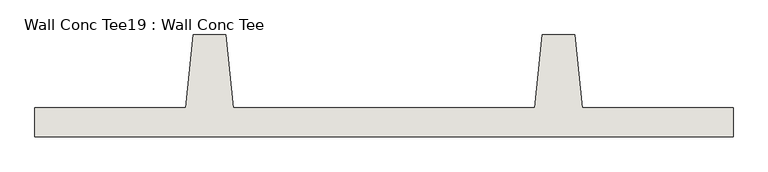
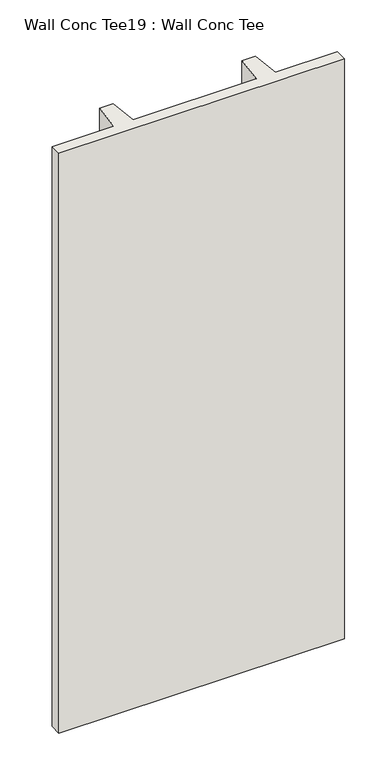
"""IFC4 building model written with IfcOpenShell, lengths in millimetres: wall geometry, Wall Conc Tee19 : Wall Conc Tee."""

from ifc_helpers import new_model, si_unit, frame, origin, place, context, project, spatial, polyline, outline, extrude, source, transform, mapped, element, save


def wall_conc_tee19_wall_conc_tee_1fa6cb74(model_context):
    return source(origin(), model_context, "Body", "SweptSolid", [
        extrude(outline(polyline([(217488.2728488, 180886.8596581), (215049.8728488, 180886.8596581), (215049.8728488, 180988.4596581), (215576.9228488, 180988.4596581), (215602.3228488, 181242.4596581), (215716.6228488, 181242.4596581), (215742.0228488, 180988.4596581), (216796.1228488, 180988.4596581), (216821.5228488, 181242.4596581), (216935.8228488, 181242.4596581), (216961.2228488, 180988.4596581), (217488.2728488, 180988.4596581), (217488.2728488, 180886.8596581)])), frame((0.0, 0.0, 143.7592564), z_axis=(0.0, 0.0, 1.0), x_axis=(1.0, 0.0, 0.0)), (0.0, 0.0, 1.0), 5232.4087123),
    ])


if __name__ == "__main__":
    model = new_model("IFC4")
    model_context = context("Model", 3, world=origin())
    ifc_project = project(units=[si_unit("LENGTHUNIT", "METRE", prefix="MILLI")], contexts=[model_context])
    site = spatial("IfcSite", under=ifc_project)
    building = spatial("IfcBuilding", under=site)
    placement = place(None, origin())
    wall_conc_tee19_wall_conc_tee_shape = wall_conc_tee19_wall_conc_tee_1fa6cb74(model_context)
    element("IfcWall", 1, ObjectType="Wall Conc Tee19 : Wall Conc Tee", at=placement, inside=building, context=model_context, shape_type="MappedRepresentation", body=[
        mapped(wall_conc_tee19_wall_conc_tee_shape, transform((0.0, 0.0, 0.0), x_axis=(1.0, 0.0, 0.0), y_axis=(0.0, 1.0, 0.0), z_axis=(0.0, 0.0, 1.0))),
    ])
    save(model, "model.ifc")
